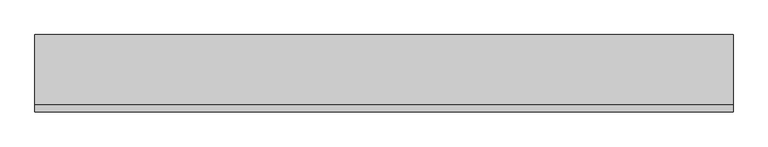
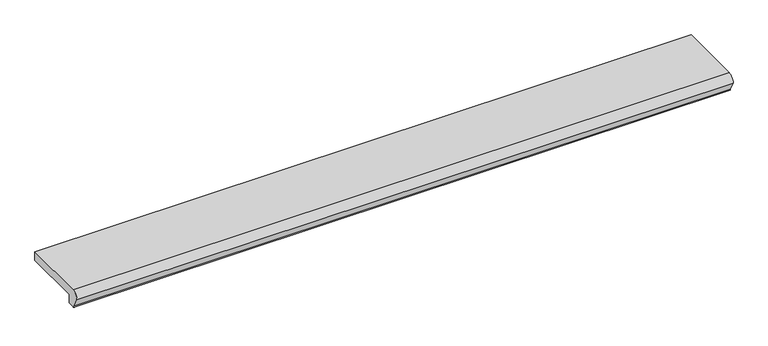
"""IFC4 building model written with IfcOpenShell, lengths in millimetres: proxy geometry."""

from ifc_helpers import new_model, si_unit, point, frame, frame_2d, origin, place, context, project, spatial, polyline, circle_curve, trimmed, segment, composite_curve, outline, extrude, source, transform, mapped, element, save


def generic_models_4cd14e34(model_context):
    return source(origin(), model_context, "Body", "SweptSolid", [
        extrude(outline(composite_curve([segment(polyline([(-145.0, 30.0), (0.0, 30.0), (0.0, 10.0), (-130.0, 10.0), (-130.0, -10.0), (-145.0, -10.0)]), True, "CONTINUOUS"), segment(trimmed(circle_curve(frame_2d((-145.0, -5.0)), 5.0), [point((-145.0, -10.0))], [point((-150.0, -5.0))], False, "CARTESIAN"), True, "CONTINUOUS"), segment(polyline([(-150.0, -5.0), (-160.0, 15.0)]), True, "CONTINUOUS"), segment(trimmed(circle_curve(frame_2d((-145.0, 15.0)), 15.0), [point((-160.0, 15.0))], [point((-145.0, 30.0))], False, "CARTESIAN"), True, "CONTINUOUS")], self_intersect=False)), frame((-720.0, 0.0, 0.0), z_axis=(1.0, 0.0, 0.0), x_axis=(0.0, 1.0, 0.0)), (0.0, 0.0, 1.0), 1440.0),
    ])


if __name__ == "__main__":
    model = new_model("IFC4")
    model_context = context("Model", 3, world=origin())
    ifc_project = project(units=[si_unit("LENGTHUNIT", "METRE", prefix="MILLI")], contexts=[model_context])
    site = spatial("IfcSite", under=ifc_project)
    building = spatial("IfcBuilding", under=site)
    placement = place(None, origin())
    generic_models_shape = generic_models_4cd14e34(model_context)
    element("IfcBuildingElementProxy", 1, Name="Generic Models", at=placement, inside=building, context=model_context, shape_type="MappedRepresentation", body=[
        mapped(generic_models_shape, transform((0.0, 0.0, 0.0), x_axis=(1.0, 0.0, 0.0), y_axis=(0.0, 1.0, 0.0), z_axis=(0.0, 0.0, 1.0))),
    ])
    save(model, "model.ifc")
